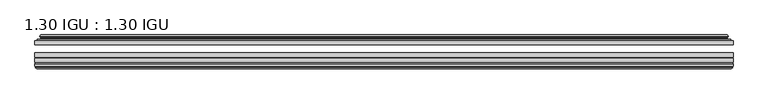
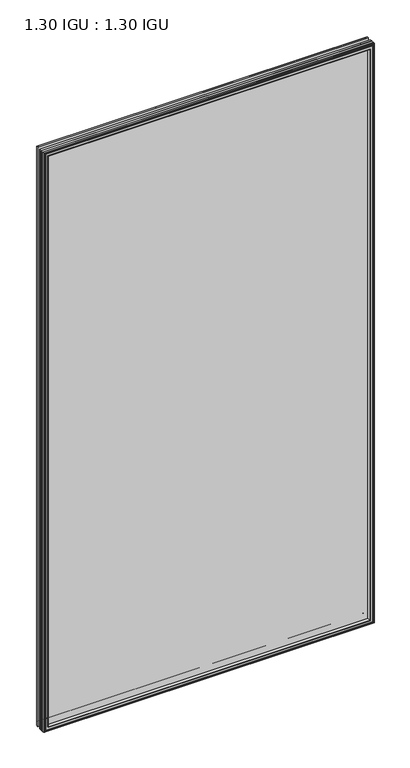
"""IFC4 building model written with IfcOpenShell, lengths in millimetres: plate geometry, 1.30 IGU : 1.30 IGU."""

from ifc_helpers import new_model, si_unit, frame, origin, place, context, project, spatial, polyline, ellipse_curve, outline, extrude, faceted_brep, source, transform, mapped, element, save
from ifc_brep_helpers import plane_surface, cylinder_surface, revolved_surface, advanced_brep


def plate_1_30_igu_1_30_igu_a8459664(model_context):
    return source(origin(), model_context, "Body", "SolidModel", [
        extrude(outline(polyline([(547.5157782, -44.92625), (547.5157782, -51.27625), (-547.582725, -51.27625), (-547.582725, -44.92625), (547.5157782, -44.92625)])), frame((0.0, 0.0, -14.2875), z_axis=(0.0, 0.0, 1.0), x_axis=(1.0, 0.0, 0.0)), (0.0, 0.0, 1.0), 2025.65),
        extrude(outline(polyline([(-547.582725, -78.58125), (-547.582725, -72.23125), (547.5157782, -72.23125), (547.5157782, -78.58125), (-547.582725, -78.58125)])), frame((0.0, 0.0, -14.2875), z_axis=(0.0, 0.0, 1.0), x_axis=(1.0, 0.0, 0.0)), (0.0, 0.0, 1.0), 2025.65),
        extrude(outline(polyline([(-547.582725, -70.32625), (-547.582725, -63.97625), (547.5157782, -63.97625), (547.5157782, -70.32625), (-547.582725, -70.32625)])), frame((0.0, 0.0, -14.2875), z_axis=(0.0, 0.0, 1.0), x_axis=(1.0, 0.0, 0.0)), (0.0, 0.0, 1.0), 2025.65),
        advanced_brep(
        [(-529.2475152, -43.8351483, 1993.0272902), (-529.6893254, -44.92625, 1993.4691004), (-529.6893254, -44.92625, 3.6058996), (-529.2475152, -43.8351483, 4.0477098), (-533.295225, -36.11245, 1997.075), (-533.295225, -36.11245, 0.0), (-538.4811359, -37.2935491, 2002.2609109), (-538.4811359, -37.2935491, -5.1859109), (-538.1515606, -36.4664324, 2001.9313356), (-538.1515606, -36.4664324, -4.8563356), (-538.1515606, -35.6521812, 2001.9313356), (-538.1515606, -35.6521812, -4.8563356), (-539.9678361, -37.610817, 2003.7476111), (-539.9678361, -37.610817, -6.6726111), (-539.9678361, -38.3239429, 2003.7476111), (-539.9678361, -38.3239429, -6.6726111), (-538.1515606, -40.2727974, 2001.9313356), (-538.1515606, -40.2727974, -4.8563356), (-538.1515606, -39.4683275, 2001.9313356), (-538.1515606, -39.4683275, -4.8563356), (-538.4734751, -38.6604367, 2002.2532501), (-538.4734751, -38.6604367, -5.1782501), (-535.9496629, -38.502045, 1999.7294379), (-535.9496629, -38.502045, -2.6544379), (-534.9238467, -39.1897544, 1998.7036217), (-534.9238467, -39.1897544, -1.6286217), (-535.0422538, -40.5842231, 1998.8220288), (-535.0422538, -40.5842231, -1.7470288), (-535.6439998, -42.08145, 1999.4237748), (-535.6439998, -42.08145, -2.3487748), (-543.5697803, -43.9898729, 2007.3495553), (-543.0841495, -42.08145, 2006.8639245), (-543.0841495, -42.08145, -9.7889245), (-543.5697803, -43.9898729, -10.2745553), (-541.8490405, -44.92625, 2005.6288155), (-541.8490405, -44.92625, -8.5538155), (529.6893254, -44.92625, 3.6058996), (529.2475152, -43.8351483, 4.0477098), (533.295225, -36.11245, 0.0), (538.4811359, -37.2935491, -5.1859109), (538.1515606, -36.4664324, -4.8563356), (538.1515606, -35.6521812, -4.8563356), (539.9678361, -37.610817, -6.6726111), (539.9678361, -38.3239429, -6.6726111), (538.1515606, -40.2727974, -4.8563356), (538.1515606, -39.4683275, -4.8563356), (538.4734751, -38.6604367, -5.1782501), (535.9496629, -38.502045, -2.6544379), (534.9238467, -39.1897544, -1.6286217), (535.0422538, -40.5842231, -1.7470288), (535.6439998, -42.08145, -2.3487748), (543.0841495, -42.08145, -9.7889245), (543.5697803, -43.9898729, -10.2745553), (541.8490405, -44.92625, -8.5538155), (529.6893254, -44.92625, 1993.4691004), (529.2475152, -43.8351483, 1993.0272902), (533.295225, -36.11245, 1997.075), (538.4811359, -37.2935491, 2002.2609109), (538.1515606, -36.4664324, 2001.9313356), (538.1515606, -35.6521812, 2001.9313356), (539.9678361, -37.610817, 2003.7476111), (539.9678361, -38.3239429, 2003.7476111), (538.1515606, -40.2727974, 2001.9313356), (538.1515606, -39.4683275, 2001.9313356), (538.4734751, -38.6604367, 2002.2532501), (535.9496629, -38.502045, 1999.7294379), (534.9238467, -39.1897544, 1998.7036217), (535.0422538, -40.5842231, 1998.8220288), (535.6439998, -42.08145, 1999.4237748), (543.0841495, -42.08145, 2006.8639245), (543.5697803, -43.9898729, 2007.3495553), (541.8490405, -44.92625, 2005.6288155)],
        [
            (0, 1, ellipse_curve(frame((-529.6893254, -44.29125, 1993.4691004), z_axis=(-0.7071067811865475, 0.0, -0.7071067811865475), x_axis=(-0.7071067811865474, 0.0, 0.7071067811865476)), 0.8980256, 0.635)),
            (1, 2),
            (2, 3, ellipse_curve(frame((-529.6893254, -44.29125, 3.6058996), z_axis=(-0.7071067811865475, 0.0, 0.7071067811865475), x_axis=(0.7071067811865474, 0.0, 0.7071067811865476)), 0.8980256, 0.635)),
            (3, 0),
            (4, 0, ellipse_curve(frame((-519.5624304, -33.8367745, 1983.3422054), z_axis=(0.7071067811865475, 0.0, 0.7071067811865475), x_axis=(0.7071067811865474, 0.0, -0.7071067811865476)), 19.6859517, 13.9200699)),
            (3, 5, ellipse_curve(frame((-519.5624304, -33.8367745, 13.7327946), z_axis=(0.7071067811865475, 0.0, -0.7071067811865475), x_axis=(-0.7071067811865474, 0.0, -0.7071067811865476)), 19.6859517, 13.9200699)),
            (5, 4),
            (6, 4),
            (5, 7),
            (7, 6),
            (8, 6),
            (7, 9),
            (9, 8),
            (10, 8),
            (9, 11),
            (11, 10),
            (12, 10),
            (11, 13),
            (13, 12),
            (14, 12, ellipse_curve(frame((-539.6059979, -37.96738, 2003.3857729), z_axis=(-0.7071067811865475, 0.0, -0.7071067811865475), x_axis=(-0.7071067811865474, 0.0, 0.7071067811865476)), 0.7184205, 0.508)),
            (13, 15, ellipse_curve(frame((-539.6059979, -37.96738, -6.3107729), z_axis=(-0.7071067811865475, 0.0, 0.7071067811865475), x_axis=(0.7071067811865474, 0.0, 0.7071067811865476)), 0.7184205, 0.508)),
            (15, 14),
            (16, 14),
            (15, 17),
            (17, 16),
            (18, 16),
            (17, 19),
            (19, 18),
            (20, 18),
            (19, 21),
            (21, 20),
            (22, 20),
            (21, 23),
            (23, 22),
            (24, 22, ellipse_curve(frame((-535.886025, -39.51605, 1999.6658), z_axis=(0.7071067811865475, 0.0, 0.7071067811865475), x_axis=(0.7071067811865474, 0.0, -0.7071067811865476)), 1.436841, 1.016)),
            (23, 25, ellipse_curve(frame((-535.886025, -39.51605, -2.5908), z_axis=(0.7071067811865475, 0.0, -0.7071067811865475), x_axis=(-0.7071067811865474, 0.0, -0.7071067811865476)), 1.436841, 1.016)),
            (25, 24),
            (26, 24, ellipse_curve(frame((-537.257625, -39.69385, 2001.0374), z_axis=(0.7071067811865475, 0.0, 0.7071067811865475), x_axis=(0.7071067811865474, 0.0, -0.7071067811865476)), 3.3765763, 2.3876)),
            (25, 27, ellipse_curve(frame((-537.257625, -39.69385, -3.9624), z_axis=(0.7071067811865475, 0.0, -0.7071067811865475), x_axis=(-0.7071067811865474, 0.0, -0.7071067811865476)), 3.3765763, 2.3876)),
            (27, 26),
            (28, 26),
            (27, 29),
            (29, 28),
            (30, 31, ellipse_curve(frame((-543.0841495, -43.09745, 2006.8639245), z_axis=(-0.7071067811865475, 0.0, -0.7071067811865475), x_axis=(-0.7071067811865474, 0.0, 0.7071067811865476)), 1.436841, 1.016)),
            (31, 32),
            (32, 33, ellipse_curve(frame((-543.0841495, -43.09745, -9.7889245), z_axis=(-0.7071067811865475, 0.0, 0.7071067811865475), x_axis=(0.7071067811865474, 0.0, 0.7071067811865476)), 1.436841, 1.016)),
            (33, 30),
            (34, 30),
            (33, 35),
            (35, 34),
            (2, 36),
            (36, 37, ellipse_curve(frame((529.6893254, -44.29125, 3.6058996), z_axis=(-0.7071067811865475, 0.0, -0.7071067811865475), x_axis=(-0.7071067811865476, 0.0, 0.7071067811865474)), 0.8980256, 0.635)),
            (37, 3),
            (37, 38, ellipse_curve(frame((519.5624304, -33.8367745, 13.7327946), z_axis=(0.7071067811865475, 0.0, 0.7071067811865475), x_axis=(0.7071067811865476, 0.0, -0.7071067811865474)), 19.6859517, 13.9200699)),
            (38, 5),
            (38, 39),
            (39, 7),
            (39, 40),
            (40, 9),
            (40, 41),
            (41, 11),
            (41, 42),
            (42, 13),
            (42, 43, ellipse_curve(frame((539.6059979, -37.96738, -6.3107729), z_axis=(-0.7071067811865475, 0.0, -0.7071067811865475), x_axis=(-0.7071067811865476, 0.0, 0.7071067811865474)), 0.7184205, 0.508)),
            (43, 15),
            (43, 44),
            (44, 17),
            (44, 45),
            (45, 19),
            (45, 46),
            (46, 21),
            (46, 47),
            (47, 23),
            (47, 48, ellipse_curve(frame((535.886025, -39.51605, -2.5908), z_axis=(0.7071067811865475, 0.0, 0.7071067811865475), x_axis=(0.7071067811865476, 0.0, -0.7071067811865474)), 1.436841, 1.016)),
            (48, 25),
            (48, 49, ellipse_curve(frame((537.257625, -39.69385, -3.9624), z_axis=(0.7071067811865475, 0.0, 0.7071067811865475), x_axis=(0.7071067811865476, 0.0, -0.7071067811865474)), 3.3765763, 2.3876)),
            (49, 27),
            (49, 50),
            (50, 29),
            (32, 51),
            (51, 52, ellipse_curve(frame((543.0841495, -43.09745, -9.7889245), z_axis=(-0.7071067811865475, 0.0, -0.7071067811865475), x_axis=(-0.7071067811865476, 0.0, 0.7071067811865474)), 1.436841, 1.016)),
            (52, 33),
            (52, 53),
            (53, 35),
            (36, 54),
            (54, 55, ellipse_curve(frame((529.6893254, -44.29125, 1993.4691004), z_axis=(0.7071067811865475, 0.0, -0.7071067811865475), x_axis=(-0.7071067811865474, 0.0, -0.7071067811865476)), 0.8980256, 0.635)),
            (55, 37),
            (55, 56, ellipse_curve(frame((519.5624304, -33.8367745, 1983.3422054), z_axis=(-0.7071067811865475, 0.0, 0.7071067811865475), x_axis=(0.7071067811865474, 0.0, 0.7071067811865476)), 19.6859517, 13.9200699)),
            (56, 38),
            (56, 57),
            (57, 39),
            (57, 58),
            (58, 40),
            (58, 59),
            (59, 41),
            (59, 60),
            (60, 42),
            (60, 61, ellipse_curve(frame((539.6059979, -37.96738, 2003.3857729), z_axis=(0.7071067811865475, 0.0, -0.7071067811865475), x_axis=(-0.7071067811865474, 0.0, -0.7071067811865476)), 0.7184205, 0.508)),
            (61, 43),
            (61, 62),
            (62, 44),
            (62, 63),
            (63, 45),
            (63, 64),
            (64, 46),
            (64, 65),
            (65, 47),
            (65, 66, ellipse_curve(frame((535.886025, -39.51605, 1999.6658), z_axis=(-0.7071067811865475, 0.0, 0.7071067811865475), x_axis=(0.7071067811865474, 0.0, 0.7071067811865476)), 1.436841, 1.016)),
            (66, 48),
            (66, 67, ellipse_curve(frame((537.257625, -39.69385, 2001.0374), z_axis=(-0.7071067811865475, 0.0, 0.7071067811865475), x_axis=(0.7071067811865474, 0.0, 0.7071067811865476)), 3.3765763, 2.3876)),
            (67, 49),
            (67, 68),
            (68, 50),
            (51, 69),
            (69, 70, ellipse_curve(frame((543.0841495, -43.09745, 2006.8639245), z_axis=(0.7071067811865475, 0.0, -0.7071067811865475), x_axis=(-0.7071067811865474, 0.0, -0.7071067811865476)), 1.436841, 1.016)),
            (70, 52),
            (70, 71),
            (71, 53),
            (54, 1),
            (0, 55),
            (4, 56),
            (6, 57),
            (8, 58),
            (10, 59),
            (12, 60),
            (14, 61),
            (16, 62),
            (18, 63),
            (20, 64),
            (22, 65),
            (24, 66),
            (26, 67),
            (28, 68),
            (31, 69),
            (30, 70),
            (34, 71),
        ],
        [
            cylinder_surface(frame((-529.6893254, -44.29125, 2028.825), z_axis=(0.0, 0.0, 1.0), x_axis=(-1.0, 0.0, 0.0)), 0.635),
            revolved_surface(polyline([(-533.4825003000001, -33.8367745, -0.18727534118079348), (-533.4825003000001, -33.8367745, 1997.2622753411808)]), (-519.5624304, -33.8367745, 2028.825), (0.0, 0.0, -1.0)),
            plane_surface(frame((-533.295225, -36.11245, 1997.075), z_axis=(-0.22206498442778658, 0.975031867525922, 0.0), x_axis=(0.0, 0.0, -1.0))),
            plane_surface(frame((-538.4811359, -37.2935491, 2002.2609109), z_axis=(0.9289682685629922, -0.3701593656833182, 0.0), x_axis=(0.0, 0.0, -1.0))),
            plane_surface(frame((-538.1515606, -36.4664324, 2001.9313356), z_axis=(1.0, 0.0, 0.0), x_axis=(0.0, 0.0, -1.0))),
            plane_surface(frame((-538.1515606, -35.6521812, 2001.9313356), z_axis=(-0.7332521292723956, 0.6799568478348447, 0.0), x_axis=(0.0, 0.0, -1.0))),
            cylinder_surface(frame((-539.6059979, -37.96738, 2028.825), z_axis=(0.0, 0.0, 1.0), x_axis=(-1.0, 0.0, 0.0)), 0.508),
            plane_surface(frame((-539.9678361, -38.3239429, 2003.7476111), z_axis=(-0.7315522693036389, -0.6817853601220082, 0.0), x_axis=(0.0, 0.0, -1.0))),
            plane_surface(frame((-538.1515606, -40.2727974, 2001.9313356), z_axis=(1.0, 0.0, 0.0), x_axis=(0.0, 0.0, -1.0))),
            plane_surface(frame((-538.1515606, -39.4683275, 2001.9313356), z_axis=(0.9289682685631103, 0.37015936568302166, 0.0), x_axis=(0.0, 0.0, -1.0))),
            plane_surface(frame((-538.4734751, -38.6604367, 2002.2532501), z_axis=(0.06263570119321644, -0.9980364567169048, 0.0), x_axis=(0.0, 0.0, -1.0))),
            revolved_surface(polyline([(-536.902025, -39.51605, -3.6068000145867245), (-536.902025, -39.51605, 2000.6818000145868)]), (-535.886025, -39.51605, 2028.825), (0.0, 0.0, -1.0)),
            revolved_surface(polyline([(-539.645225, -39.69385, -6.3499999989237494), (-539.645225, -39.69385, 2003.4249999989238)]), (-537.257625, -39.69385, 2028.825), (0.0, 0.0, -1.0)),
            plane_surface(frame((-535.0422538, -40.5842231, 1998.8220288), z_axis=(-0.9278652925428912, 0.372915538553028, 0.0), x_axis=(0.0, 0.0, -1.0))),
            cylinder_surface(frame((-543.0841495, -43.09745, 2028.825), z_axis=(0.0, 0.0, 1.0), x_axis=(-1.0, 0.0, 0.0)), 1.016),
            plane_surface(frame((-543.5697803, -43.9898729, 2007.3495553), z_axis=(-0.477983117370979, -0.8783690223979447, 0.0), x_axis=(0.0, 0.0, -1.0))),
            cylinder_surface(frame((-565.045225, -44.29125, 3.6058996), z_axis=(-1.0, 0.0, 0.0), x_axis=(0.0, 0.0, -1.0)), 0.635),
            revolved_surface(polyline([(533.482500341181, -33.8367745, -0.1872752999999996), (-533.4825003411809, -33.8367745, -0.1872752999999996)]), (-565.045225, -33.8367745, 13.7327946), (1.0, 0.0, 0.0)),
            plane_surface(frame((-533.295225, -36.11245, 0.0), z_axis=(0.0, 0.9750318675259213, -0.22206498442778974), x_axis=(1.0, 0.0, 0.0))),
            plane_surface(frame((-538.4811359, -37.2935491, -5.1859109), z_axis=(0.0, -0.3701593656833152, 0.9289682685629934), x_axis=(1.0, 0.0, 0.0))),
            plane_surface(frame((-538.1515606, -36.4664324, -4.8563356), z_axis=(0.0, 0.0, 1.0), x_axis=(1.0, 0.0, 0.0))),
            plane_surface(frame((-538.1515606, -35.6521812, -4.8563356), z_axis=(0.0, 0.6799568478348423, -0.7332521292723978), x_axis=(1.0, 0.0, 0.0))),
            cylinder_surface(frame((-565.045225, -37.96738, -6.3107729), z_axis=(-1.0, 0.0, 0.0), x_axis=(0.0, 0.0, -1.0)), 0.508),
            plane_surface(frame((-539.9678361, -38.3239429, -6.6726111), z_axis=(0.0, -0.6817853601220105, -0.7315522693036367), x_axis=(1.0, 0.0, 0.0))),
            plane_surface(frame((-538.1515606, -40.2727974, -4.8563356), z_axis=(0.0, 0.0, 1.0), x_axis=(1.0, 0.0, 0.0))),
            plane_surface(frame((-538.1515606, -39.4683275, -4.8563356), z_axis=(0.0, 0.37015936568302465, 0.9289682685631091), x_axis=(1.0, 0.0, 0.0))),
            plane_surface(frame((-538.4734751, -38.6604367, -5.1782501), z_axis=(0.0, -0.9980364567169046, 0.06263570119321968), x_axis=(1.0, 0.0, 0.0))),
            revolved_surface(polyline([(536.9020250145869, -39.51605, -3.6068000000000002), (-536.9020250145869, -39.51605, -3.6068000000000002)]), (-565.045225, -39.51605, -2.5908), (1.0, 0.0, 0.0)),
            revolved_surface(polyline([(539.6452249989239, -39.69385, -6.35), (-539.6452249989237, -39.69385, -6.35)]), (-565.045225, -39.69385, -3.9624), (1.0, 0.0, 0.0)),
            plane_surface(frame((-535.0422538, -40.5842231, -1.7470288), z_axis=(0.0, 0.372915538553025, -0.9278652925428924), x_axis=(1.0, 0.0, 0.0))),
            cylinder_surface(frame((-565.045225, -43.09745, -9.7889245), z_axis=(-1.0, 0.0, 0.0), x_axis=(0.0, 0.0, -1.0)), 1.016),
            plane_surface(frame((-543.5697803, -43.9898729, -10.2745553), z_axis=(0.0, -0.8783690223979462, -0.47798311737097615), x_axis=(1.0, 0.0, 0.0))),
            cylinder_surface(frame((529.6893254, -44.29125, -31.75), z_axis=(0.0, 0.0, -1.0), x_axis=(1.0, 0.0, 0.0)), 0.635),
            revolved_surface(polyline([(533.4825003000001, -33.8367745, 1997.2622753411808), (533.4825003000001, -33.8367745, -0.1872753411808432)]), (519.5624304, -33.8367745, -31.75), (0.0, 0.0, 1.0)),
            plane_surface(frame((533.295225, -36.11245, 0.0), z_axis=(0.22206498442779288, 0.9750318675259205, 0.0), x_axis=(0.0, 0.0, 1.0))),
            plane_surface(frame((538.4811359, -37.2935491, -5.1859109), z_axis=(-0.9289682685629946, -0.3701593656833122, 0.0), x_axis=(0.0, 0.0, 1.0))),
            plane_surface(frame((538.1515606, -36.4664324, -4.8563356), z_axis=(-1.0, 0.0, 0.0), x_axis=(0.0, 0.0, 1.0))),
            plane_surface(frame((538.1515606, -35.6521812, -4.8563356), z_axis=(0.7332521292724, 0.67995684783484, 0.0), x_axis=(0.0, 0.0, 1.0))),
            cylinder_surface(frame((539.6059979, -37.96738, -31.75), z_axis=(0.0, 0.0, -1.0), x_axis=(1.0, 0.0, 0.0)), 0.508),
            plane_surface(frame((539.9678361, -38.3239429, -6.6726111), z_axis=(0.7315522693036345, -0.6817853601220129, 0.0), x_axis=(0.0, 0.0, 1.0))),
            plane_surface(frame((538.1515606, -40.2727974, -4.8563356), z_axis=(-1.0, 0.0, 0.0), x_axis=(0.0, 0.0, 1.0))),
            plane_surface(frame((538.1515606, -39.4683275, -4.8563356), z_axis=(-0.928968268563108, 0.3701593656830277, 0.0), x_axis=(0.0, 0.0, 1.0))),
            plane_surface(frame((538.4734751, -38.6604367, -5.1782501), z_axis=(-0.06263570119322291, -0.9980364567169043, 0.0), x_axis=(0.0, 0.0, 1.0))),
            revolved_surface(polyline([(536.902025, -39.51605, 2000.6818000145868), (536.902025, -39.51605, -3.606800014586863)]), (535.886025, -39.51605, -31.75), (0.0, 0.0, 1.0)),
            revolved_surface(polyline([(539.645225, -39.69385, 2003.4249999989238), (539.645225, -39.69385, -6.349999998923781)]), (537.257625, -39.69385, -31.75), (0.0, 0.0, 1.0)),
            plane_surface(frame((535.0422538, -40.5842231, -1.7470288), z_axis=(0.9278652925428936, 0.372915538553022, 0.0), x_axis=(0.0, 0.0, 1.0))),
            cylinder_surface(frame((543.0841495, -43.09745, -31.75), z_axis=(0.0, 0.0, -1.0), x_axis=(1.0, 0.0, 0.0)), 1.016),
            plane_surface(frame((543.5697803, -43.9898729, -10.2745553), z_axis=(0.4779831173709733, -0.8783690223979478, 0.0), x_axis=(0.0, 0.0, 1.0))),
            cylinder_surface(frame((565.045225, -44.29125, 1993.4691004), z_axis=(1.0, 0.0, 0.0), x_axis=(0.0, 0.0, 1.0)), 0.635),
            revolved_surface(polyline([(-533.482500341181, -33.8367745, 1997.2622753), (533.4825003411809, -33.8367745, 1997.2622753)]), (565.045225, -33.8367745, 1983.3422054), (-1.0, 0.0, 0.0)),
            plane_surface(frame((533.295225, -36.11245, 1997.075), z_axis=(0.0, 0.9750318675259212, 0.2220649844277897), x_axis=(-1.0, 0.0, 0.0))),
            plane_surface(frame((538.4811359, -37.2935491, 2002.2609109), z_axis=(0.0, -0.3701593656833152, -0.9289682685629934), x_axis=(-1.0, 0.0, 0.0))),
            plane_surface(frame((538.1515606, -36.4664324, 2001.9313356), z_axis=(0.0, 0.0, -1.0), x_axis=(-1.0, 0.0, 0.0))),
            plane_surface(frame((538.1515606, -35.6521812, 2001.9313356), z_axis=(0.0, 0.6799568478348423, 0.7332521292723978), x_axis=(-1.0, 0.0, 0.0))),
            cylinder_surface(frame((565.045225, -37.96738, 2003.3857729), z_axis=(1.0, 0.0, 0.0), x_axis=(0.0, 0.0, 1.0)), 0.508),
            plane_surface(frame((539.9678361, -38.3239429, 2003.7476111), z_axis=(0.0, -0.6817853601220105, 0.7315522693036367), x_axis=(-1.0, 0.0, 0.0))),
            plane_surface(frame((538.1515606, -40.2727974, 2001.9313356), z_axis=(0.0, 0.0, -1.0), x_axis=(-1.0, 0.0, 0.0))),
            plane_surface(frame((538.1515606, -39.4683275, 2001.9313356), z_axis=(0.0, 0.3701593656830247, -0.9289682685631092), x_axis=(-1.0, 0.0, 0.0))),
            plane_surface(frame((538.4734751, -38.6604367, 2002.2532501), z_axis=(0.0, -0.9980364567169046, -0.06263570119321968), x_axis=(-1.0, 0.0, 0.0))),
            revolved_surface(polyline([(-536.9020250145869, -39.51605, 2000.6818), (536.9020250145869, -39.51605, 2000.6818)]), (565.045225, -39.51605, 1999.6658), (-1.0, 0.0, 0.0)),
            revolved_surface(polyline([(-539.6452249989239, -39.69385, 2003.425), (539.6452249989237, -39.69385, 2003.425)]), (565.045225, -39.69385, 2001.0374), (-1.0, 0.0, 0.0)),
            plane_surface(frame((535.0422538, -40.5842231, 1998.8220288), z_axis=(0.0, 0.372915538553025, 0.9278652925428924), x_axis=(-1.0, 0.0, 0.0))),
            plane_surface(frame((535.6439998, -42.08145, 1999.4237748), z_axis=(0.0, 1.0, 0.0), x_axis=(-1.0, 0.0, 0.0))),
            cylinder_surface(frame((565.045225, -43.09745, 2006.8639245), z_axis=(1.0, 0.0, 0.0), x_axis=(0.0, 0.0, 1.0)), 1.016),
            plane_surface(frame((543.5697803, -43.9898729, 2007.3495553), z_axis=(0.0, -0.8783690223979462, 0.47798311737097615), x_axis=(-1.0, 0.0, 0.0))),
            plane_surface(frame((541.8490405, -44.92625, 2005.6288155), z_axis=(0.0, -1.0, 0.0), x_axis=(-1.0, 0.0, 0.0))),
        ],
        [
            (0, [[1, 2, 3, 4]]),
            (1, [[5, -4, 6, 7]]),
            (2, [[8, -7, 9, 10]]),
            (3, [[11, -10, 12, 13]]),
            (4, [[14, -13, 15, 16]]),
            (5, [[17, -16, 18, 19]]),
            (6, [[20, -19, 21, 22]]),
            (7, [[23, -22, 24, 25]]),
            (8, [[26, -25, 27, 28]]),
            (9, [[29, -28, 30, 31]]),
            (10, [[32, -31, 33, 34]]),
            (11, [[35, -34, 36, 37]]),
            (12, [[38, -37, 39, 40]]),
            (13, [[41, -40, 42, 43]]),
            (14, [[44, 45, 46, 47]]),
            (15, [[48, -47, 49, 50]]),
            (16, [[-3, 51, 52, 53]]),
            (17, [[-6, -53, 54, 55]]),
            (18, [[-9, -55, 56, 57]]),
            (19, [[-12, -57, 58, 59]]),
            (20, [[-15, -59, 60, 61]]),
            (21, [[-18, -61, 62, 63]]),
            (22, [[-21, -63, 64, 65]]),
            (23, [[-24, -65, 66, 67]]),
            (24, [[-27, -67, 68, 69]]),
            (25, [[-30, -69, 70, 71]]),
            (26, [[-33, -71, 72, 73]]),
            (27, [[-36, -73, 74, 75]]),
            (28, [[-39, -75, 76, 77]]),
            (29, [[-42, -77, 78, 79]]),
            (30, [[-46, 80, 81, 82]]),
            (31, [[-49, -82, 83, 84]]),
            (32, [[-52, 85, 86, 87]]),
            (33, [[-54, -87, 88, 89]]),
            (34, [[-56, -89, 90, 91]]),
            (35, [[-58, -91, 92, 93]]),
            (36, [[-60, -93, 94, 95]]),
            (37, [[-62, -95, 96, 97]]),
            (38, [[-64, -97, 98, 99]]),
            (39, [[-66, -99, 100, 101]]),
            (40, [[-68, -101, 102, 103]]),
            (41, [[-70, -103, 104, 105]]),
            (42, [[-72, -105, 106, 107]]),
            (43, [[-74, -107, 108, 109]]),
            (44, [[-76, -109, 110, 111]]),
            (45, [[-78, -111, 112, 113]]),
            (46, [[-81, 114, 115, 116]]),
            (47, [[-83, -116, 117, 118]]),
            (48, [[-86, 119, -1, 120]]),
            (49, [[-88, -120, -5, 121]]),
            (50, [[-90, -121, -8, 122]]),
            (51, [[-92, -122, -11, 123]]),
            (52, [[-94, -123, -14, 124]]),
            (53, [[-96, -124, -17, 125]]),
            (54, [[-98, -125, -20, 126]]),
            (55, [[-100, -126, -23, 127]]),
            (56, [[-102, -127, -26, 128]]),
            (57, [[-104, -128, -29, 129]]),
            (58, [[-106, -129, -32, 130]]),
            (59, [[-108, -130, -35, 131]]),
            (60, [[-110, -131, -38, 132]]),
            (61, [[-112, -132, -41, 133]]),
            (62, [[134, -114, -80, -45], [-79, -113, -133, -43]]),
            (63, [[-115, -134, -44, 135]]),
            (64, [[-117, -135, -48, 136]]),
            (65, [[-84, -118, -136, -50], [-119, -85, -51, -2]]),
        ],
    ),
        faceted_brep([(-529.4410077, -78.58125, 1993.2207827), (-532.0073048, -87.47125, 1995.7870798), (-532.0073048, -87.47125, 1.2879202), (-529.4410077, -78.58125, 3.8542173), (-547.595425, -80.7883102, 2011.3752), (-545.3883648, -78.58125, 2009.1681398), (-545.3883648, -78.58125, -12.0931398), (-547.595425, -80.7883102, -14.3002), (-547.595425, -84.93125, 2011.3752), (-547.595425, -84.93125, -14.3002), (-545.1764025, -86.11489, 2008.9561775), (-546.0155932, -84.93125, 2009.7953682), (-546.0155932, -84.93125, -12.7203682), (-545.1764025, -86.11489, -11.8811775), (-544.979225, -87.4125884, 2008.759), (-544.979225, -87.4125884, -11.684), (-545.954885, -86.8828917, 2009.73466), (-545.954885, -86.8828917, -12.65966), (-544.420425, -88.6999663, 2008.2002), (-546.7475555, -86.8828917, 2010.5273305), (-546.7475555, -86.8828917, -13.4523305), (-544.420425, -88.6999663, -11.1252), (-542.0932945, -86.8828917, 2005.8730695), (-542.0932945, -86.8828917, -8.7980695), (-543.861625, -87.4125884, 2007.6414), (-542.885965, -86.8828917, 2006.66574), (-542.885965, -86.8828917, -9.59074), (-543.861625, -87.4125884, -10.5664), (-543.6644475, -86.11489, 2007.4442225), (-543.6644475, -86.11489, -10.3692225), (-542.794825, -84.93125, 2006.5746), (-542.794825, -84.93125, -9.4996), (-533.6465917, -87.47125, 1997.4263667), (-533.117425, -84.93125, 1996.8972), (-533.117425, -84.93125, 0.1778), (-533.6465917, -87.47125, -0.3513667), (532.0073048, -87.47125, 1.2879202), (529.4410077, -78.58125, 3.8542173), (545.3883648, -78.58125, -12.0931398), (547.595425, -80.7883102, -14.3002), (547.595425, -84.93125, -14.3002), (546.0155932, -84.93125, -12.7203682), (545.1764025, -86.11489, -11.8811775), (544.979225, -87.4125884, -11.684), (545.954885, -86.8828917, -12.65966), (546.7475555, -86.8828917, -13.4523305), (544.420425, -88.6999663, -11.1252), (542.0932945, -86.8828917, -8.7980695), (542.885965, -86.8828917, -9.59074), (543.861625, -87.4125884, -10.5664), (543.6644475, -86.11489, -10.3692225), (542.794825, -84.93125, -9.4996), (533.117425, -84.93125, 0.1778), (533.6465917, -87.47125, -0.3513667), (532.0073048, -87.47125, 1995.7870798), (529.4410077, -78.58125, 1993.2207827), (545.3883648, -78.58125, 2009.1681398), (547.595425, -80.7883102, 2011.3752), (547.595425, -84.93125, 2011.3752), (546.0155932, -84.93125, 2009.7953682), (545.1764025, -86.11489, 2008.9561775), (544.979225, -87.4125884, 2008.759), (545.954885, -86.8828917, 2009.73466), (546.7475555, -86.8828917, 2010.5273305), (544.420425, -88.6999663, 2008.2002), (542.0932945, -86.8828917, 2005.8730695), (542.885965, -86.8828917, 2006.66574), (543.861625, -87.4125884, 2007.6414), (543.6644475, -86.11489, 2007.4442225), (542.794825, -84.93125, 2006.5746), (533.117425, -84.93125, 1996.8972), (533.6465917, -87.47125, 1997.4263667)], [[[0, 1, 2, 3]], [[4, 5, 6, 7]], [[8, 4, 7, 9]], [[10, 11, 12, 13]], [[14, 10, 13, 15]], [[16, 14, 15, 17]], [[18, 19, 20, 21]], [[22, 18, 21, 23]], [[24, 25, 26, 27]], [[28, 24, 27, 29]], [[30, 28, 29, 31]], [[32, 33, 34, 35]], [[3, 2, 36, 37]], [[7, 6, 38, 39]], [[9, 7, 39, 40]], [[13, 12, 41, 42]], [[15, 13, 42, 43]], [[17, 15, 43, 44]], [[21, 20, 45, 46]], [[23, 21, 46, 47]], [[27, 26, 48, 49]], [[29, 27, 49, 50]], [[31, 29, 50, 51]], [[35, 34, 52, 53]], [[37, 36, 54, 55]], [[39, 38, 56, 57]], [[40, 39, 57, 58]], [[42, 41, 59, 60]], [[43, 42, 60, 61]], [[44, 43, 61, 62]], [[46, 45, 63, 64]], [[47, 46, 64, 65]], [[49, 48, 66, 67]], [[50, 49, 67, 68]], [[51, 50, 68, 69]], [[53, 52, 70, 71]], [[55, 54, 1, 0]], [[5, 56, 38, 6], [3, 37, 55, 0]], [[57, 56, 5, 4]], [[58, 57, 4, 8]], [[9, 40, 58, 8], [11, 59, 41, 12]], [[60, 59, 11, 10]], [[61, 60, 10, 14]], [[62, 61, 14, 16]], [[19, 63, 45, 20], [17, 44, 62, 16]], [[64, 63, 19, 18]], [[65, 64, 18, 22]], [[25, 66, 48, 26], [23, 47, 65, 22]], [[67, 66, 25, 24]], [[68, 67, 24, 28]], [[69, 68, 28, 30]], [[31, 51, 69, 30], [33, 70, 52, 34]], [[71, 70, 33, 32]], [[35, 53, 71, 32], [1, 54, 36, 2]]]),
    ])


if __name__ == "__main__":
    model = new_model("IFC4")
    model_context = context("Model", 3, world=origin())
    ifc_project = project(units=[si_unit("LENGTHUNIT", "METRE", prefix="MILLI")], contexts=[model_context])
    site = spatial("IfcSite", under=ifc_project)
    building = spatial("IfcBuilding", under=site)
    placement = place(None, origin())
    plate_1_30_igu_1_30_igu_shape = plate_1_30_igu_1_30_igu_a8459664(model_context)
    element("IfcPlate", 1, ObjectType="1.30 IGU : 1.30 IGU", at=placement, inside=building, context=model_context, shape_type="MappedRepresentation", body=[
        mapped(plate_1_30_igu_1_30_igu_shape, transform((0.0, 0.0, 0.0), x_axis=(1.0, 0.0, 0.0), y_axis=(0.0, 1.0, 0.0), z_axis=(0.0, 0.0, 1.0))),
    ])
    save(model, "model.ifc")
